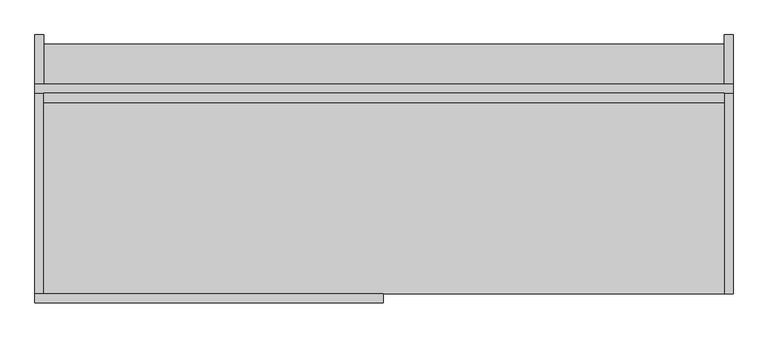
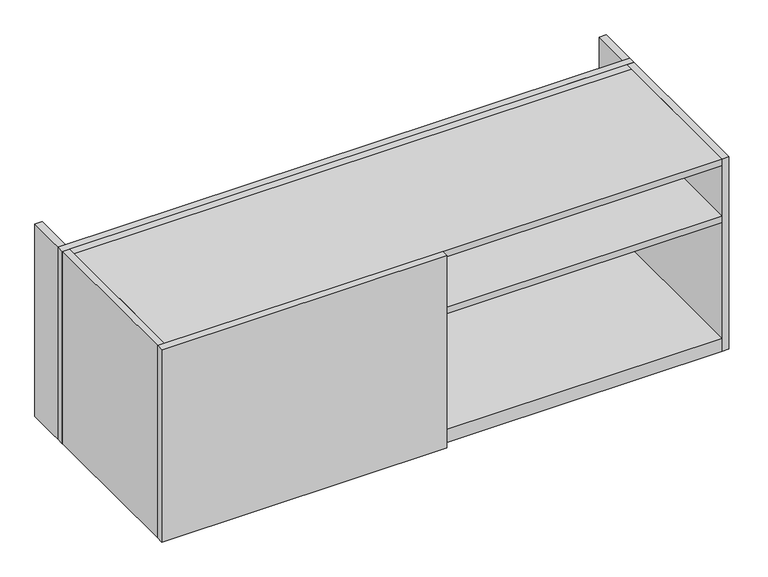
"""IFC4 building model written with IfcOpenShell, lengths in millimetres: furniture geometry."""

from ifc_helpers import new_model, si_unit, frame, origin, place, context, project, spatial, polyline, outline, extrude, source, transform, mapped, element, save


def furniture_d7dc1622(model_context):
    return source(origin(), model_context, "Body", "SweptSolid", [
        extrude(outline(polyline([(77.7875, -666.75), (77.7875, -685.8), (-681.0375, -685.8), (-681.0375, -666.75), (77.7875, -666.75)])), frame((0.0, 0.0, 7.62), z_axis=(0.0, 0.0, 1.0), x_axis=(1.0, 0.0, 0.0)), (0.0, 0.0, 1.0), 541.655),
        extrude(outline(polyline([(820.7375, -228.6), (820.7375, -248.9544546), (-661.9875, -248.9544546), (-661.9875, -228.6), (820.7375, -228.6)])), frame((0.0, 0.0, 7.62), z_axis=(0.0, 0.0, 1.0), x_axis=(1.0, 0.0, 0.0)), (0.0, 0.0, 1.0), 541.655),
        extrude(outline(polyline([(820.7375, -121.9544546), (820.7375, -666.75), (-661.9875, -666.75), (-661.9875, -121.9544546), (820.7375, -121.9544546)])), frame((0.0, 0.0, 7.62), z_axis=(0.0, 0.0, 1.0), x_axis=(1.0, 0.0, 0.0)), (0.0, 0.0, 1.0), 36.83),
        extrude(outline(polyline([(820.7375, -248.9544546), (820.7375, -666.75), (-661.9875, -666.75), (-661.9875, -248.9544546), (820.7375, -248.9544546)])), frame((0.0, 0.0, 369.8875), z_axis=(0.0, 0.0, 1.0), x_axis=(1.0, 0.0, 0.0)), (0.0, 0.0, 1.0), 19.05),
        extrude(outline(polyline([(839.7875, -209.55), (839.7875, -228.6), (-681.0375, -228.6), (-681.0375, -209.55), (839.7875, -209.55)])), frame((0.0, 0.0, 7.62), z_axis=(0.0, 0.0, 1.0), x_axis=(1.0, 0.0, 0.0)), (0.0, 0.0, 1.0), 541.655),
        extrude(outline(polyline([(820.7375, -248.9544546), (820.7375, -666.75), (-661.9875, -666.75), (-661.9875, -248.9544546), (820.7375, -248.9544546)])), frame((0.0, 0.0, 530.225), z_axis=(0.0, 0.0, 1.0), x_axis=(1.0, 0.0, 0.0)), (0.0, 0.0, 1.0), 19.05),
        extrude(outline(polyline([(-661.9875, -101.6), (-661.9875, -666.75), (-681.0375, -666.75), (-681.0375, -101.6), (-661.9875, -101.6)])), frame((0.0, 0.0, 7.62), z_axis=(0.0, 0.0, 1.0), x_axis=(1.0, 0.0, 0.0)), (0.0, 0.0, 1.0), 541.655),
        extrude(outline(polyline([(839.7875, -666.75), (820.7375, -666.75), (820.7375, -101.6), (839.7875, -101.6), (839.7875, -666.75)])), frame((0.0, 0.0, 7.62), z_axis=(0.0, 0.0, 1.0), x_axis=(1.0, 0.0, 0.0)), (0.0, 0.0, 1.0), 541.655),
    ])


if __name__ == "__main__":
    model = new_model("IFC4")
    model_context = context("Model", 3, world=origin())
    ifc_project = project(units=[si_unit("LENGTHUNIT", "METRE", prefix="MILLI")], contexts=[model_context])
    site = spatial("IfcSite", under=ifc_project)
    building = spatial("IfcBuilding", under=site)
    placement = place(None, origin())
    furniture_shape = furniture_d7dc1622(model_context)
    element("IfcFurniture", 1, at=placement, inside=building, context=model_context, shape_type="MappedRepresentation", body=[
        mapped(furniture_shape, transform((0.0, 0.0, 0.0), x_axis=(1.0, 0.0, 0.0), y_axis=(0.0, 1.0, 0.0), z_axis=(0.0, 0.0, 1.0))),
    ])
    save(model, "model.ifc")
